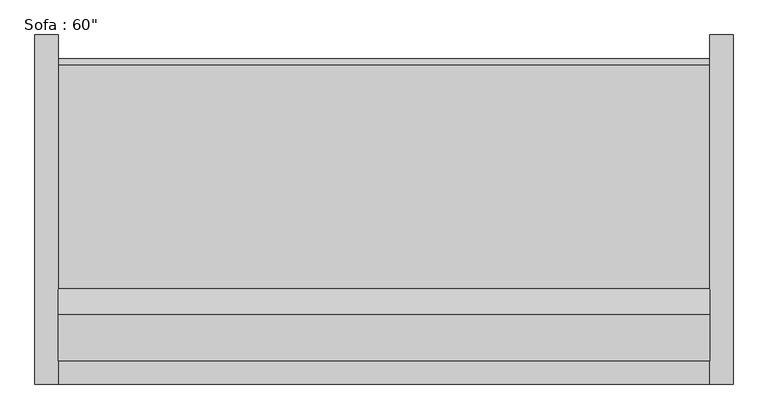
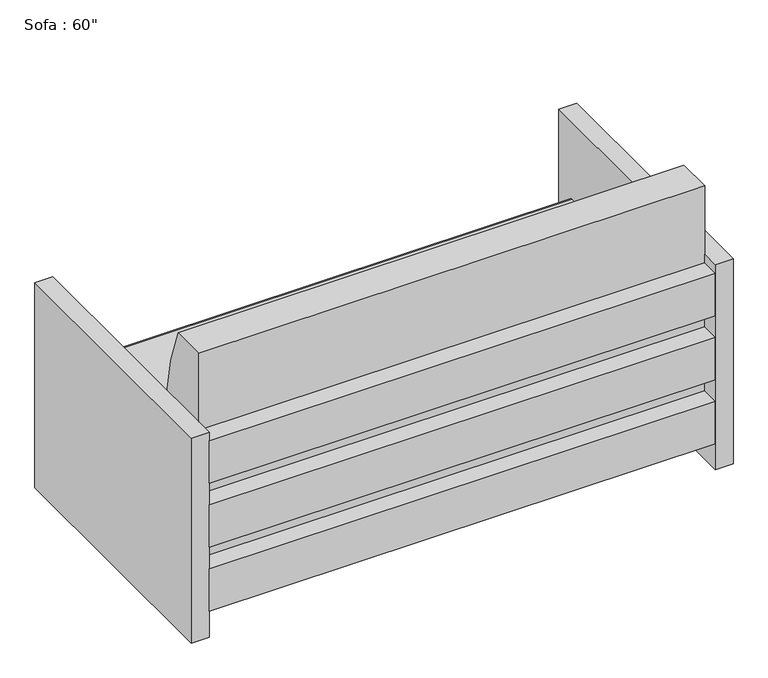
"""IFC4 building model written with IfcOpenShell, lengths in millimetres: furniture geometry."""

from ifc_helpers import new_model, si_unit, point, frame, frame_2d, origin, origin_with_axes, place, context, project, spatial, polyline, circle_curve, trimmed, segment, composite_curve, outline, extrude, source, transform, mapped, element, save


def furniture_bffd8fc8(model_context):
    return source(origin(), model_context, "Body", "SweptSolid", [
        extrude(outline(polyline([(-640.8295082, -425.5540984), (781.5704918, -425.5540984), (781.5704918, -476.3540984), (-640.8295082, -476.3540984), (-640.8295082, -425.5540984)])), frame((0.0, 0.0, 457.2), z_axis=(0.0, 0.0, 1.0), x_axis=(1.0, 0.0, 0.0)), (0.0, 0.0, 1.0), 127.0),
        extrude(outline(polyline([(-640.8295082, -425.5540984), (781.5704918, -425.5540984), (781.5704918, -476.3540984), (-640.8295082, -476.3540984), (-640.8295082, -425.5540984)])), frame((0.0, 0.0, 266.7), z_axis=(0.0, 0.0, 1.0), x_axis=(1.0, 0.0, 0.0)), (0.0, 0.0, 1.0), 127.0),
        extrude(outline(polyline([(-640.8295082, -425.5540984), (781.5704918, -425.5540984), (781.5704918, -476.3540984), (-640.8295082, -476.3540984), (-640.8295082, -425.5540984)])), frame((0.0, 0.0, 76.2), z_axis=(0.0, 0.0, 1.0), x_axis=(1.0, 0.0, 0.0)), (0.0, 0.0, 1.0), 127.0),
        extrude(outline(composite_curve([segment(polyline([(-286.1764935, 381.0), (220.9862837, 381.0)]), True, "CONTINUOUS"), segment(trimmed(circle_curve(frame_2d((220.9862837, 368.3)), 12.7), [point((220.9862837, 381.0))], [point((233.6379563, 367.1931221))], False, "CARTESIAN"), True, "CONTINUOUS"), segment(polyline([(233.6379563, 367.1931221), (212.708343, 127.9665467), (-425.5540984, 127.9665467), (-425.5540984, 812.8), (-323.9540984, 812.8)]), True, "CONTINUOUS"), segment(trimmed(circle_curve(frame_2d((-926.517198, 542.5300036)), 660.4), [point((-323.9540984, 812.8))], [point((-286.1764935, 381.0))], False, "CARTESIAN"), True, "CONTINUOUS")], self_intersect=False)), frame((-640.8295082, 0.0, 0.0), z_axis=(1.0, 0.0, 0.0), x_axis=(0.0, 1.0, 0.0)), (0.0, 0.0, 1.0), 1422.4),
        extrude(outline(polyline([(-691.6295082, -476.3540984), (-691.6295082, 285.6459016), (-640.8295082, 285.6459016), (-640.8295082, -476.3540984), (-691.6295082, -476.3540984)])), origin_with_axes(), (0.0, 0.0, 1.0), 609.6),
        extrude(outline(polyline([(832.3704918, -476.3540984), (781.5704918, -476.3540984), (781.5704918, 285.6459016), (832.3704918, 285.6459016), (832.3704918, -476.3540984)])), origin_with_axes(), (0.0, 0.0, 1.0), 609.6),
    ])


if __name__ == "__main__":
    model = new_model("IFC4")
    model_context = context("Model", 3, world=origin())
    ifc_project = project(units=[si_unit("LENGTHUNIT", "METRE", prefix="MILLI")], contexts=[model_context])
    site = spatial("IfcSite", under=ifc_project)
    building = spatial("IfcBuilding", under=site)
    placement = place(None, origin())
    furniture_shape = furniture_bffd8fc8(model_context)
    element("IfcFurniture", 1, ObjectType="Sofa : 60\"", at=placement, inside=building, context=model_context, shape_type="MappedRepresentation", body=[
        mapped(furniture_shape, transform((0.0, 0.0, 0.0), x_axis=(1.0, 0.0, 0.0), y_axis=(0.0, 1.0, 0.0), z_axis=(0.0, 0.0, 1.0))),
    ])
    save(model, "model.ifc")
